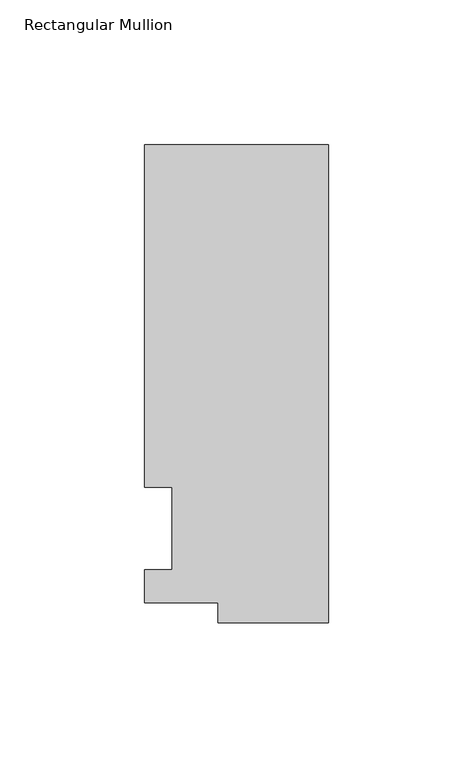
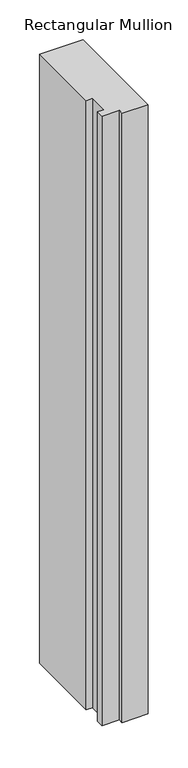
"""IFC4 building model written with IfcOpenShell, lengths in millimetres: member geometry, Rectangular Mullion."""

from ifc_helpers import new_model, si_unit, frame, origin, place, context, project, spatial, polyline, outline, extrude, source, transform, mapped, element, save


def rectangular_mullion_fda52295(model_context):
    return source(origin(), model_context, "Body", "SweptSolid", [
        extrude(outline(polyline([(-38.1, -32.54375), (-38.1, -25.58415), (-63.5, -25.58415), (-63.5, -14.2875), (-53.975, -14.2875), (-53.975, 14.2875), (-63.5, 14.2875), (-63.5, 132.55625), (0.0, 132.55625), (0.0, -32.54375), (-38.1, -32.54375)])), frame((0.0, 0.0, -939.8), z_axis=(0.0, 0.0, 1.0), x_axis=(1.0, 0.0, 0.0)), (0.0, 0.0, 1.0), 939.8),
    ])


if __name__ == "__main__":
    model = new_model("IFC4")
    model_context = context("Model", 3, world=origin())
    ifc_project = project(units=[si_unit("LENGTHUNIT", "METRE", prefix="MILLI")], contexts=[model_context])
    site = spatial("IfcSite", under=ifc_project)
    building = spatial("IfcBuilding", under=site)
    placement = place(None, origin())
    rectangular_mullion_shape = rectangular_mullion_fda52295(model_context)
    element("IfcMember", 1, ObjectType="Rectangular Mullion", at=placement, inside=building, context=model_context, shape_type="MappedRepresentation", body=[
        mapped(rectangular_mullion_shape, transform((0.0, 0.0, 0.0), x_axis=(1.0, 0.0, 0.0), y_axis=(0.0, 1.0, 0.0), z_axis=(0.0, 0.0, 1.0))),
    ])
    save(model, "model.ifc")
